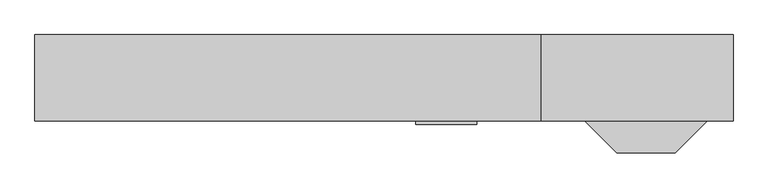
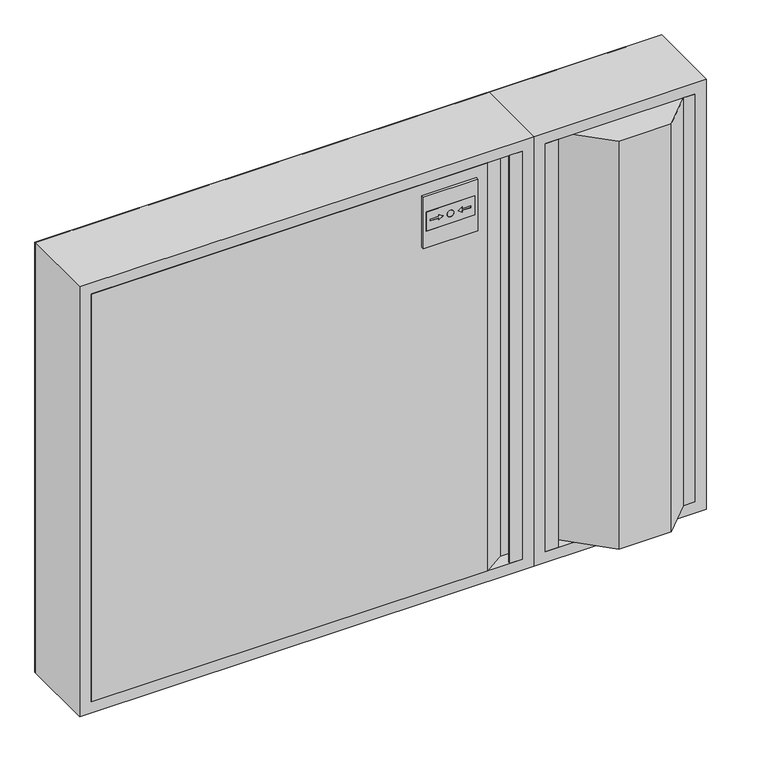
"""IFC4 building model written with IfcOpenShell, lengths in millimetres: fire suppression terminal geometry."""

import ifcopenshell
import ifcopenshell.guid

model = None  # the IFC model being written
_history = None  # IfcOwnerHistory: only IFC2X3 demands one
_inside = {}  # id of a spatial element -> (the spatial element, [elements in it])
_under = {}  # id of a project, library or spatial element -> (it, [spatial elements below it])
_declared = {}  # id of a project -> (the project, [libraries it declares])
_typed = {}  # id of a type object -> (the type object, [elements of that type])
_made_of = {}  # id of a material, layer set ... -> (it, [elements and type objects made of it])


def new_model(schema):
    """Start an empty IFC model of exactly this schema.

    Asked for "IFC4X3", IfcOpenShell would pick the latest addendum, in which some entities
    have other attributes; the version numbers below select the first issue.
    IFC2X3 requires an IfcOwnerHistory on every rooted entity: one is made here for all.
    """
    global model, _history
    if schema == "IFC4X3":
        model = ifcopenshell.file(schema_version=(4, 3, 0, 0))
    else:
        model = ifcopenshell.file(schema=schema)
    _inside.clear()
    _under.clear()
    _declared.clear()
    _typed.clear()
    _made_of.clear()
    _history = None
    if model.schema == "IFC2X3":
        org = make("IfcOrganization", Name="unknown")
        user = make(
            "IfcPersonAndOrganization",
            ThePerson=make("IfcPerson", FamilyName="unknown"),
            TheOrganization=org,
        )
        app = make(
            "IfcApplication",
            ApplicationDeveloper=org,
            Version="unknown",
            ApplicationFullName="unknown",
            ApplicationIdentifier="unknown",
        )
        _history = make(
            "IfcOwnerHistory",
            OwningUser=user,
            OwningApplication=app,
            ChangeAction="ADDED",
            CreationDate=0,
        )
    return model


def make(cls, **values):
    """One entity of the class cls with the attributes given. An attribute that is None is left unset."""
    return model.create_entity(
        cls, **{name: value for name, value in values.items() if value is not None}
    )


def rooted(cls, **values):
    """An entity with a GlobalId (a new one), such as an element, a storey or a relation."""
    return make(cls, GlobalId=ifcopenshell.guid.new(), OwnerHistory=_history, **values)


def si_unit(unit_type, name, prefix=None):
    """IfcSIUnit, for example si_unit("LENGTHUNIT", "METRE", prefix="MILLI")."""
    return make("IfcSIUnit", UnitType=unit_type, Prefix=prefix, Name=name)


def assignment(units):
    """IfcUnitAssignment: the units of a project."""
    return None if units is None else make("IfcUnitAssignment", Units=units)


def point(xyz):
    """IfcCartesianPoint."""
    return None if xyz is None else make("IfcCartesianPoint", Coordinates=xyz)


def direction(xyz):
    """IfcDirection."""
    return None if xyz is None else make("IfcDirection", DirectionRatios=xyz)


def frame(location, z_axis=None, x_axis=None):
    """IfcAxis2Placement3D, a coordinate frame: its origin and axes. An axis left out is left unset."""
    return make(
        "IfcAxis2Placement3D",
        Location=point(location),
        Axis=direction(z_axis),
        RefDirection=direction(x_axis),
    )


def frame_2d(location, x_axis=None):
    """IfcAxis2Placement2D, a coordinate frame in the plane: its origin and x axis."""
    return make(
        "IfcAxis2Placement2D", Location=point(location), RefDirection=direction(x_axis)
    )


def origin():
    """The frame at (0, 0, 0) with its axes left unset."""
    return frame((0.0, 0.0, 0.0))


def place(relative_to, where):
    """IfcLocalPlacement: puts the frame where relative to a parent placement (None: the world)."""
    return make(
        "IfcLocalPlacement", PlacementRelTo=relative_to, RelativePlacement=where
    )


def context(
    kind, dimensions, precision=None, world=None, true_north=None, identifier=None
):
    """IfcGeometricRepresentationContext, for example the 3D "Model" context."""
    return make(
        "IfcGeometricRepresentationContext",
        ContextIdentifier=identifier,
        ContextType=kind,
        CoordinateSpaceDimension=dimensions,
        Precision=precision,
        WorldCoordinateSystem=world,
        TrueNorth=true_north,
    )


def project(units=None, contexts=None):
    """IfcProject with its units and contexts."""
    return rooted(
        "IfcProject",
        Name="project",
        RepresentationContexts=contexts,
        UnitsInContext=assignment(units),
    )


def spatial(cls, under=None, at=None, **own):
    """A site, building, storey or space (cls), placed at a placement, below another one or the project."""
    s = rooted(cls, ObjectPlacement=at, **own)
    if under is not None:
        _under.setdefault(under.id(), (under, []))[1].append(s)
    return s


def polyline(points):
    """IfcPolyline through the points."""
    return make("IfcPolyline", Points=[point(p) for p in points])


def circle_curve(where, radius):
    """IfcCircle in the frame where."""
    return make("IfcCircle", Position=where, Radius=radius)


def trimmed(basis, trim1, trim2, sense, master):
    """IfcTrimmedCurve: the piece of a basis curve between two trims."""
    return make(
        "IfcTrimmedCurve",
        BasisCurve=basis,
        Trim1=trim1,
        Trim2=trim2,
        SenseAgreement=sense,
        MasterRepresentation=master,
    )


def segment(curve, same_sense, transition):
    """IfcCompositeCurveSegment."""
    return make(
        "IfcCompositeCurveSegment",
        Transition=transition,
        SameSense=same_sense,
        ParentCurve=curve,
    )


def composite_curve(segments, self_intersect=None):
    """IfcCompositeCurve: segments joined end to end."""
    return make("IfcCompositeCurve", Segments=segments, SelfIntersect=self_intersect)


def outline(outer, holes=None, kind="AREA"):
    """IfcArbitraryClosedProfileDef: a profile drawn as a closed curve; with holes, ...WithVoids."""
    if holes is None:
        return make("IfcArbitraryClosedProfileDef", ProfileType=kind, OuterCurve=outer)
    return make(
        "IfcArbitraryProfileDefWithVoids",
        ProfileType=kind,
        OuterCurve=outer,
        InnerCurves=holes,
    )


def extrude(swept, where, along, depth):
    """IfcExtrudedAreaSolid: the profile swept, set in the frame where, extruded along a direction by depth."""
    return make(
        "IfcExtrudedAreaSolid",
        SweptArea=swept,
        Position=where,
        ExtrudedDirection=direction(along),
        Depth=depth,
    )


def faces_of(points, faces, orient=None, outer=None):
    """IfcFace entities. A face is a list of loops; a loop is a list of indices into points, from 0.

    orient and outer hold one flag for each loop. By default every Orientation is true, the
    first loop of a face is its IfcFaceOuterBound and the others are IfcFaceBound.
    """
    made = []
    for i, loops in enumerate(faces):
        bounds = []
        for j, loop in enumerate(loops):
            is_outer = j == 0 if outer is None else outer[i][j]
            bounds.append(
                make(
                    "IfcFaceOuterBound" if is_outer else "IfcFaceBound",
                    Bound=make("IfcPolyLoop", Polygon=[points[k] for k in loop]),
                    Orientation=True if orient is None else orient[i][j],
                )
            )
        made.append(make("IfcFace", Bounds=bounds))
    return made


def faceted_brep(points, faces, orient=None, outer=None, voids=None):
    """IfcFacetedBrep: a solid bounded by flat faces; with voids (closed shells), ...WithVoids."""
    shared = [point(p) for p in points]
    hull = make("IfcClosedShell", CfsFaces=faces_of(shared, faces, orient, outer))
    if voids is None:
        return make("IfcFacetedBrep", Outer=hull)
    return make(
        "IfcFacetedBrepWithVoids",
        Outer=hull,
        Voids=[
            make(cls, CfsFaces=faces_of(shared, fs, o, b)) for cls, fs, o, b in voids
        ],
    )


def shape(context_of_items, identifier, shape_type, items):
    """IfcShapeRepresentation: the items that make up one representation, for example the "Body"."""
    return make(
        "IfcShapeRepresentation",
        ContextOfItems=context_of_items,
        RepresentationIdentifier=identifier,
        RepresentationType=shape_type,
        Items=items,
    )


def source(mapping_origin, context_of_items, identifier, shape_type, items):
    """IfcRepresentationMap: a shape defined once, which mapped items show again and again."""
    return make(
        "IfcRepresentationMap",
        MappingOrigin=mapping_origin,
        MappedRepresentation=shape(context_of_items, identifier, shape_type, items),
    )


def transform(
    local_origin,
    x_axis=None,
    y_axis=None,
    z_axis=None,
    scale=None,
    scale2=None,
    scale3=None,
    uniform=True,
):
    """IfcCartesianTransformationOperator3D, or its non-uniform kind. x_axis, y_axis, z_axis: its Axis1, 2, 3."""
    if uniform:
        return make(
            "IfcCartesianTransformationOperator3D",
            Axis1=direction(x_axis),
            Axis2=direction(y_axis),
            LocalOrigin=point(local_origin),
            Scale=scale,
            Axis3=direction(z_axis),
        )
    return make(
        "IfcCartesianTransformationOperator3DnonUniform",
        Axis1=direction(x_axis),
        Axis2=direction(y_axis),
        LocalOrigin=point(local_origin),
        Scale=scale,
        Axis3=direction(z_axis),
        Scale2=scale2,
        Scale3=scale3,
    )


def mapped(mapping_source, mapping_target):
    """IfcMappedItem: shows the shape of a source again, moved by a transform."""
    return make(
        "IfcMappedItem", MappingSource=mapping_source, MappingTarget=mapping_target
    )


def made_of(thing, what):
    """Note that an element or type object is made of a material, layer set ...; save() writes the relation."""
    if what is not None:
        _made_of.setdefault(what.id(), (what, []))[1].append(thing)
    return thing


def element(
    cls,
    number,
    at=None,
    inside=None,
    cuts=None,
    type_object=None,
    material=None,
    context=None,
    identifier="Body",
    shape_type=None,
    held_by="IfcProductDefinitionShape",
    body=None,
    shapes=None,
    **own,
):
    """One element of the class cls, such as IfcWall. Its Tag is "e" and its number.

    at: its placement. inside: the storey or other place that contains it. cuts: it is an
    opening in that element (IfcRelVoidsElement). A single representation is given by context,
    identifier, shape_type and body (its items); several are given by shapes. held_by: the class
    of the entity that holds the representations. save() writes the other relations.
    """
    e = rooted(cls, Tag="e%d" % number, ObjectPlacement=at, **own)
    if body is not None:
        shapes = [shape(context, identifier, shape_type, body)]
    if shapes is not None:
        e.Representation = make(held_by, Representations=shapes)
    if inside is not None:
        _inside.setdefault(inside.id(), (inside, []))[1].append(e)
    if cuts is not None:
        rooted(
            "IfcRelVoidsElement", RelatingBuildingElement=cuts, RelatedOpeningElement=e
        )
    if type_object is not None:
        _typed.setdefault(type_object.id(), (type_object, []))[1].append(e)
    return made_of(e, material)


def aggregate(whole, parts):
    """IfcRelAggregates: a whole, such as a stair, and the parts it consists of."""
    return rooted("IfcRelAggregates", RelatingObject=whole, RelatedObjects=parts)


def save(model, path):
    """Write the relations noted so far, then the file.

    IfcRelAggregates (storeys below a building ...), IfcRelContainedInSpatialStructure (elements
    in a storey), IfcRelDefinesByType, IfcRelAssociatesMaterial and IfcRelDeclares: one each for
    every whole, place, type object, material and project.
    """
    for whole, parts in _under.values():
        aggregate(whole, parts)
    for where, things in _inside.values():
        rooted(
            "IfcRelContainedInSpatialStructure",
            RelatedElements=things,
            RelatingStructure=where,
        )
    for kind, things in _typed.values():
        rooted("IfcRelDefinesByType", RelatedObjects=things, RelatingType=kind)
    for what, things in _made_of.values():
        rooted("IfcRelAssociatesMaterial", RelatedObjects=things, RelatingMaterial=what)
    for by, libraries in _declared.values():
        rooted("IfcRelDeclares", RelatingContext=by, RelatedDefinitions=libraries)
    model.write(path)


def fire_suppression_terminal_57bf2347(model_context):
    return source(origin(), model_context, "Body", "SolidModel", [
        extrude(outline(composite_curve([segment(trimmed(circle_curve(frame_2d((-355.1374166, -354.9676042)), 3.007614), [point((-352.1298027, -354.9676042))], [point((-358.1450306, -354.9676042))], False, "CARTESIAN"), True, "CONTINUOUS"), segment(trimmed(circle_curve(frame_2d((-355.1374166, -354.9676042)), 3.007614), [point((-358.1450306, -354.9676042))], [point((-352.1298027, -354.9676042))], False, "CARTESIAN"), True, "CONTINUOUS")], self_intersect=False)), frame((0.0, -20.0, 0.0), z_axis=(0.0, 1.0, 0.0), x_axis=(0.0, 0.0, 1.0)), (0.0, 0.0, 1.0), 15.0),
        faceted_brep([(437.0, -135.0, -375.0), (415.0, -135.0, -375.0), (415.0, -110.0, -375.0), (675.0, -110.0, -375.0), (675.0, -135.0, -375.0), (655.0, -135.0, -375.0), (605.0, -185.0, -375.0), (513.5, -185.0, -375.0), (440.0, -111.5, -375.0), (416.5, -111.5, -375.0), (416.5, -133.5, -375.0), (435.5, -133.5, -375.0), (435.5, -132.0, -375.0), (437.0, -132.0, -375.0), (437.0, -135.0, 375.0), (437.0, -132.0, 375.0), (435.5, -132.0, 375.0), (435.5, -133.5, 375.0), (416.5, -133.5, 375.0), (416.5, -111.5, 375.0), (440.0, -111.5, 375.0), (513.5, -185.0, 375.0), (605.0, -185.0, 375.0), (655.0, -135.0, 375.0), (675.0, -135.0, 375.0), (675.0, -110.0, 375.0), (415.0, -110.0, 375.0), (415.0, -135.0, 375.0), (673.5, -110.0, -373.5), (673.5, -110.0, 373.5), (444.2068581, -110.0, 373.5), (444.2068581, -110.0, -373.5), (517.7068581, -183.5, -373.5), (602.875, -183.5, -373.5), (652.875, -133.5, -373.5), (673.5, -133.5, -373.5), (673.5, -133.5, 373.5), (652.875, -133.5, 373.5), (602.875, -183.5, 373.5), (517.7068581, -183.5, 373.5)], [[[0, 1, 2, 3, 4, 5, 6, 7, 8, 9, 10, 11, 12, 13]], [[14, 15, 16, 17, 18, 19, 20, 21, 22, 23, 24, 25, 26, 27]], [[0, 14, 27, 1]], [[1, 27, 26, 2]], [[2, 26, 25, 3], [28, 29, 30, 31]], [[3, 25, 24, 4]], [[7, 21, 20, 8]], [[8, 20, 19, 9]], [[9, 19, 18, 10]], [[10, 18, 17, 11]], [[11, 17, 16, 12]], [[12, 16, 15, 13]], [[13, 15, 14, 0]], [[4, 24, 23, 5]], [[5, 23, 22, 6]], [[6, 22, 21, 7]], [[28, 31, 32, 33, 34, 35]], [[30, 29, 36, 37, 38, 39]], [[31, 30, 39, 32]], [[35, 36, 29, 28]], [[34, 37, 36, 35]], [[32, 39, 38, 33]], [[33, 38, 37, 34]]]),
        extrude(outline(polyline([(353.0, -135.0), (353.0, -132.0), (354.5, -132.0), (354.5, -133.5), (373.5, -133.5), (373.5, -111.5), (350.0, -111.5), (315.0, -135.0), (-375.0, -135.0), (-375.0, -110.0), (-373.5, -110.0), (-373.5, -133.5), (314.5431419, -133.5), (349.5431419, -110.0), (375.0, -110.0), (375.0, -135.0), (353.0, -135.0)])), frame((0.0, 0.0, -375.0), z_axis=(0.0, 0.0, 1.0), x_axis=(1.0, 0.0, 0.0)), (0.0, 0.0, 1.0), 750.0),
        extrude(outline(polyline([(325.9479225, 204.5431419), (290.9479225, 204.5431419), (290.9479225, 289.5431419), (325.9479225, 289.5431419), (325.9479225, 204.5431419)]), holes=[composite_curve([segment(trimmed(circle_curve(frame_2d((308.4479225, 247.0431419)), 6.0), [point((308.4479225, 253.0431419))], [point((308.4479225, 241.0431419))], True, "CARTESIAN"), True, "CONTINUOUS"), segment(trimmed(circle_curve(frame_2d((308.4479225, 247.0431419)), 6.0), [point((308.4479225, 241.0431419))], [point((308.4479225, 253.0431419))], True, "CARTESIAN"), True, "CONTINUOUS")], self_intersect=False), polyline([(313.3991375, 226.9720741), (308.4479225, 234.0431419), (303.4967076, 226.9720741), (306.9479225, 226.9720741), (306.9479225, 211.9720741), (309.9479225, 211.9720741), (309.9479225, 226.9720741), (313.3991375, 226.9720741)]), polyline([(313.3991375, 267.1142097), (309.9479225, 267.1142097), (309.9479225, 282.1142097), (306.9479225, 282.1142097), (306.9479225, 267.1142097), (303.4967076, 267.1142097), (308.4479225, 260.0431419), (313.3991375, 267.1142097)])]), frame((0.0, -140.0, 0.0), z_axis=(0.0, 1.0, 0.0), x_axis=(0.0, 0.0, 1.0)), (0.0, 0.0, 1.0), 5.0),
        extrude(outline(composite_curve([segment(trimmed(circle_curve(frame_2d((308.4479225, 247.0431419)), 6.0), [point((308.4479225, 253.0431419))], [point((308.4479225, 241.0431419))], False, "CARTESIAN"), True, "CONTINUOUS"), segment(trimmed(circle_curve(frame_2d((308.4479225, 247.0431419)), 6.0), [point((308.4479225, 241.0431419))], [point((308.4479225, 253.0431419))], False, "CARTESIAN"), True, "CONTINUOUS")], self_intersect=False)), frame((0.0, -140.0, 0.0), z_axis=(0.0, 1.0, 0.0), x_axis=(0.0, 0.0, 1.0)), (0.0, 0.0, 1.0), 5.0),
        extrude(outline(polyline([(313.3991375, 226.9720741), (309.9479225, 226.9720741), (309.9479225, 211.9720741), (306.9479225, 211.9720741), (306.9479225, 226.9720741), (303.4967076, 226.9720741), (308.4479225, 234.0431419), (313.3991375, 226.9720741)])), frame((0.0, -140.0, 0.0), z_axis=(0.0, 1.0, 0.0), x_axis=(0.0, 0.0, 1.0)), (0.0, 0.0, 1.0), 5.0),
        extrude(outline(polyline([(313.3991375, 267.1142097), (308.4479225, 260.0431419), (303.4967076, 267.1142097), (306.9479225, 267.1142097), (306.9479225, 282.1142097), (309.9479225, 282.1142097), (309.9479225, 267.1142097), (313.3991375, 267.1142097)])), frame((0.0, -140.0, 0.0), z_axis=(0.0, 1.0, 0.0), x_axis=(0.0, 0.0, 1.0)), (0.0, 0.0, 1.0), 5.0),
        extrude(outline(polyline([(355.0, 199.5431419), (260.0, 199.5431419), (260.0, 294.5431419), (355.0, 294.5431419), (355.0, 199.5431419)]), holes=[polyline([(325.9479225, 204.5431419), (325.9479225, 289.5431419), (290.9479225, 289.5431419), (290.9479225, 204.5431419), (325.9479225, 204.5431419)])]), frame((0.0, -140.0, 0.0), z_axis=(0.0, 1.0, 0.0), x_axis=(0.0, 0.0, 1.0)), (0.0, 0.0, 1.0), 5.0),
        faceted_brep([(-375.0, -110.0, 375.0), (-375.0, -135.0, 375.0), (-375.0, -135.0, -375.0), (-375.0, -110.0, -375.0), (-376.5, -133.5, 376.5), (-376.5, -110.0, 376.5), (-376.5, -110.0, -376.5), (-376.5, -133.5, -376.5), (-393.5, -1.5, 393.5), (-393.5, -133.5, 393.5), (-393.5, -133.5, -393.5), (-393.5, -1.5, -393.5), (-375.0, 0.0, 375.0), (-375.0, -1.5, 375.0), (-375.0, -1.5, -375.0), (-375.0, 0.0, -375.0), (-395.0, -135.0, 395.0), (-395.0, 0.0, 395.0), (-395.0, 0.0, -395.0), (-395.0, -135.0, -395.0), (375.0, -135.0, -375.0), (375.0, -110.0, -375.0), (376.5, -110.0, -376.5), (376.5, -133.5, -376.5), (393.5, -133.5, -393.5), (393.5, -1.5, -393.5), (375.0, -1.5, -375.0), (375.0, 0.0, -375.0), (395.0, 0.0, -395.0), (395.0, -135.0, -395.0), (375.0, -135.0, 375.0), (375.0, -110.0, 375.0), (376.5, -110.0, 376.5), (376.5, -133.5, 376.5), (393.5, -133.5, 393.5), (393.5, -1.5, 393.5), (375.0, -1.5, 375.0), (375.0, 0.0, 375.0), (395.0, 0.0, 395.0), (395.0, -135.0, 395.0)], [[[0, 1, 2, 3]], [[4, 5, 6, 7]], [[8, 9, 10, 11]], [[12, 13, 14, 15]], [[16, 17, 18, 19]], [[3, 2, 20, 21]], [[7, 6, 22, 23]], [[11, 10, 24, 25]], [[15, 14, 26, 27]], [[19, 18, 28, 29]], [[21, 20, 30, 31]], [[23, 22, 32, 33]], [[25, 24, 34, 35]], [[27, 26, 36, 37]], [[29, 28, 38, 39]], [[1, 0, 31, 30]], [[6, 5, 32, 22], [0, 3, 21, 31]], [[5, 4, 33, 32]], [[10, 9, 34, 24], [4, 7, 23, 33]], [[9, 8, 35, 34]], [[8, 11, 25, 35], [14, 13, 36, 26]], [[13, 12, 37, 36]], [[18, 17, 38, 28], [12, 15, 27, 37]], [[17, 16, 39, 38]], [[16, 19, 29, 39], [2, 1, 30, 20]]]),
        faceted_brep([(415.0, -110.0, 375.0), (415.0, -135.0, 375.0), (415.0, -135.0, -375.0), (415.0, -110.0, -375.0), (413.5, -133.5, 376.5), (413.5, -110.0, 376.5), (413.5, -110.0, -376.5), (413.5, -133.5, -376.5), (396.5, -1.5, 393.5), (396.5, -133.5, 393.5), (396.5, -133.5, -393.5), (396.5, -1.5, -393.5), (415.0, 0.0, 375.0), (415.0, -1.5, 375.0), (415.0, -1.5, -375.0), (415.0, 0.0, -375.0), (395.0, -135.0, 395.0), (395.0, 0.0, 395.0), (395.0, 0.0, -395.0), (395.0, -135.0, -395.0), (675.0, -135.0, -375.0), (675.0, -110.0, -375.0), (676.5, -110.0, -376.5), (676.5, -133.5, -376.5), (693.5, -133.5, -393.5), (693.5, -1.5, -393.5), (675.0, -1.5, -375.0), (675.0, 0.0, -375.0), (695.0, 0.0, -395.0), (695.0, -135.0, -395.0), (675.0, -135.0, 375.0), (675.0, -110.0, 375.0), (676.5, -110.0, 376.5), (676.5, -133.5, 376.5), (693.5, -133.5, 393.5), (693.5, -1.5, 393.5), (675.0, -1.5, 375.0), (675.0, 0.0, 375.0), (695.0, 0.0, 395.0), (695.0, -135.0, 395.0)], [[[0, 1, 2, 3]], [[4, 5, 6, 7]], [[8, 9, 10, 11]], [[12, 13, 14, 15]], [[16, 17, 18, 19]], [[3, 2, 20, 21]], [[7, 6, 22, 23]], [[11, 10, 24, 25]], [[15, 14, 26, 27]], [[19, 18, 28, 29]], [[21, 20, 30, 31]], [[23, 22, 32, 33]], [[25, 24, 34, 35]], [[27, 26, 36, 37]], [[29, 28, 38, 39]], [[31, 30, 1, 0]], [[5, 32, 22, 6], [3, 21, 31, 0]], [[33, 32, 5, 4]], [[9, 34, 24, 10], [7, 23, 33, 4]], [[35, 34, 9, 8]], [[11, 25, 35, 8], [13, 36, 26, 14]], [[37, 36, 13, 12]], [[17, 38, 28, 18], [15, 27, 37, 12]], [[39, 38, 17, 16]], [[19, 29, 39, 16], [1, 30, 20, 2]]]),
        extrude(outline(polyline([(395.0, 695.0), (395.0, -395.0), (-395.0, -395.0), (-395.0, 695.0), (395.0, 695.0)]), holes=[composite_curve([segment(trimmed(circle_curve(frame_2d((-355.1374166, -354.9676042)), 18.5), [point((-355.1374166, -373.4676042))], [point((-355.1374166, -336.4676042))], True, "CARTESIAN"), True, "CONTINUOUS"), segment(trimmed(circle_curve(frame_2d((-355.1374166, -354.9676042)), 18.5), [point((-355.1374166, -336.4676042))], [point((-355.1374166, -373.4676042))], True, "CARTESIAN"), True, "CONTINUOUS")], self_intersect=False)]), frame((0.0, -1.5, 0.0), z_axis=(0.0, 1.0, 0.0), x_axis=(0.0, 0.0, 1.0)), (0.0, 0.0, 1.0), 1.5),
    ])


if __name__ == "__main__":
    model = new_model("IFC4")
    model_context = context("Model", 3, world=origin())
    ifc_project = project(units=[si_unit("LENGTHUNIT", "METRE", prefix="MILLI")], contexts=[model_context])
    site = spatial("IfcSite", under=ifc_project)
    building = spatial("IfcBuilding", under=site)
    placement = place(None, origin())
    fire_suppression_terminal_shape = fire_suppression_terminal_57bf2347(model_context)
    element("IfcFireSuppressionTerminal", 1, at=placement, inside=building, context=model_context, shape_type="MappedRepresentation", body=[
        mapped(fire_suppression_terminal_shape, transform((0.0, 0.0, 0.0), x_axis=(1.0, 0.0, 0.0), y_axis=(0.0, 1.0, 0.0), z_axis=(0.0, 0.0, 1.0))),
    ])
    save(model, "model.ifc")
